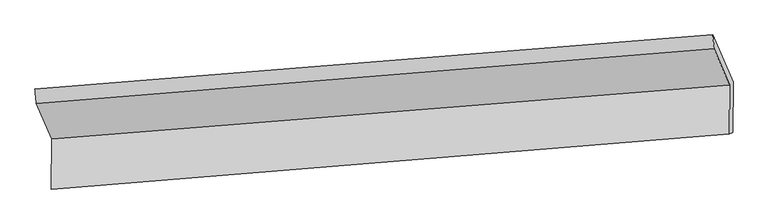
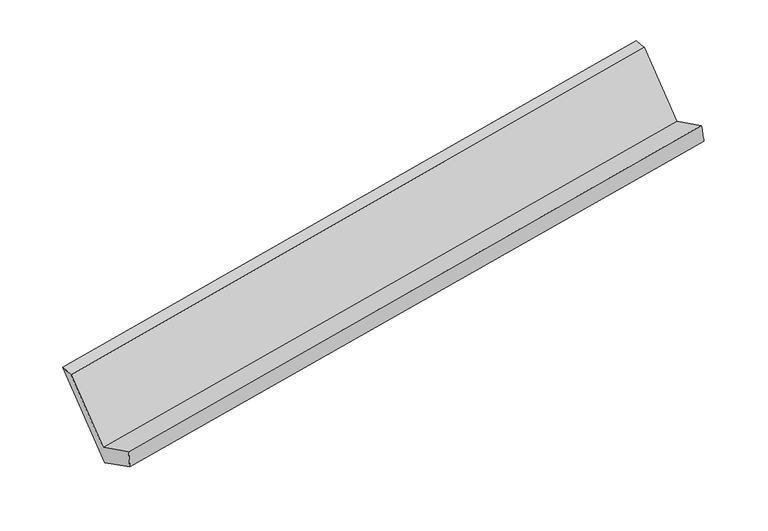
"""IFC4 building model written with IfcOpenShell, lengths in millimetres: proxy geometry."""

from ifc_helpers import new_model, si_unit, frame, origin, place, context, project, spatial, source, transform, mapped, element, save
from ifc_brep_helpers import plane_surface, spline_surface, advanced_brep


def generic_models_b6f228f8(model_context):
    return source(origin(), model_context, "Body", "AdvancedBrep", [
        advanced_brep(
        [(-5354.6645172, -1434.8466975, 1828.6487287), (-5245.5263616, -1690.1140825, 1327.3615928), (-415.9653567, -1303.7506497, 2170.6569509), (-527.0080983, -1044.0285561, 2680.6921223), (-5246.596739, -2047.4818505, 1509.1087594), (-417.0090368, -1652.2049483, 2347.8709784), (-5221.8796845, -2020.0833813, 1353.7099066), (-392.345377, -1642.6334179, 2201.5384039), (-5220.8293256, -1669.3992261, 1175.361837), (-391.2683207, -1283.0357933, 2018.6571952), (-5363.9540223, -1334.6394269, 1832.7540102), (-535.1843226, -946.4251801, 2679.6839463)],
        [
            (0, 1),
            (1, 2),
            (2, 3),
            (3, 0),
            (1, 4),
            (4, 5),
            (5, 2),
            (4, 6),
            (6, 7),
            (7, 5),
            (6, 8),
            (8, 9),
            (9, 7),
            (8, 10),
            (10, 11),
            (11, 9),
            (10, 0),
            (3, 11),
        ],
        [
            plane_surface(frame((-5300.0954394, -1562.48039, 1578.0051607), z_axis=(-0.007660180201567904, -0.8917624523484016, 0.4524390016575101), x_axis=(0.19045859762279269, -0.4454708612361154, -0.8748035404484329))),
            plane_surface(frame((-5246.0615503, -1868.7979665, 1418.2351761), z_axis=(-0.18846199080001041, 0.44564075353137445, 0.8751493568618364), x_axis=(-0.002669736214849016, -0.8913469411614309, 0.453313912196288))),
            spline_surface(1, 1, [[(-5246.596739, -2047.4818505, 1509.1087594), (-417.0090368, -1652.2049483, 2347.8709784)], [(-5221.8796845, -2020.0833813, 1353.7099066), (-392.345377, -1642.6334179, 2201.5384039)]], [2, 2], [2, 2], [0.0, 1.0], [0.0, 1.0]),
            plane_surface(frame((-5221.354505, -1844.7413037, 1264.5358718), z_axis=(0.18846199080001047, -0.44564075353137406, -0.8751493568618365), x_axis=(0.0026697362148490372, 0.891346941161431, -0.4533139121962876))),
            plane_surface(frame((-5292.3916739, -1502.0193265, 1504.0579236), z_axis=(0.007660180201567432, 0.8917624523484018, -0.4524390016575099), x_axis=(-0.19045859762279482, 0.44547086123611485, 0.8748035404484327))),
            spline_surface(1, 1, [[(-5363.9540223, -1334.6394269, 1832.7540102), (-535.1843226, -946.4251801, 2679.6839463)], [(-5354.6645172, -1434.8466975, 1828.6487287), (-527.0080983, -1044.0285561, 2680.6921223)]], [2, 2], [2, 2], [0.0, 1.0], [0.0, 1.0]),
            plane_surface(frame((-446.4634187, -1312.0130909, 2349.8499328), z_axis=(0.9816915987722935, 0.08400203730699943, 0.17095397809987342), x_axis=(-0.19045859762279482, 0.44547086123611485, 0.8748035404484327))),
            plane_surface(frame((-5275.5751084, -1699.4274441, 1504.4908058), z_axis=(-0.9816915987722944, -0.08400203730698419, -0.1709539780998758), x_axis=(-0.09223041058829248, 0.9949031348612053, 0.04075909231154976))),
        ],
        [
            (0, [[1, 2, 3, 4]]),
            (1, [[5, 6, 7, -2]]),
            (2, [[8, 9, 10, -6]]),
            (3, [[11, 12, 13, -9]]),
            (4, [[14, 15, 16, -12]]),
            (5, [[17, -4, 18, -15]]),
            (6, [[-16, -18, -3, -7, -10, -13]]),
            (7, [[-17, -14, -11, -8, -5, -1]]),
        ],
    ),
    ])


if __name__ == "__main__":
    model = new_model("IFC4")
    model_context = context("Model", 3, world=origin())
    ifc_project = project(units=[si_unit("LENGTHUNIT", "METRE", prefix="MILLI")], contexts=[model_context])
    site = spatial("IfcSite", under=ifc_project)
    building = spatial("IfcBuilding", under=site)
    placement = place(None, origin())
    generic_models_shape = generic_models_b6f228f8(model_context)
    element("IfcBuildingElementProxy", 1, Name="Generic Models", at=placement, inside=building, context=model_context, shape_type="MappedRepresentation", body=[
        mapped(generic_models_shape, transform((0.0, 0.0, 0.0), x_axis=(1.0, 0.0, 0.0), y_axis=(0.0, 1.0, 0.0), z_axis=(0.0, 0.0, 1.0))),
    ])
    save(model, "model.ifc")
